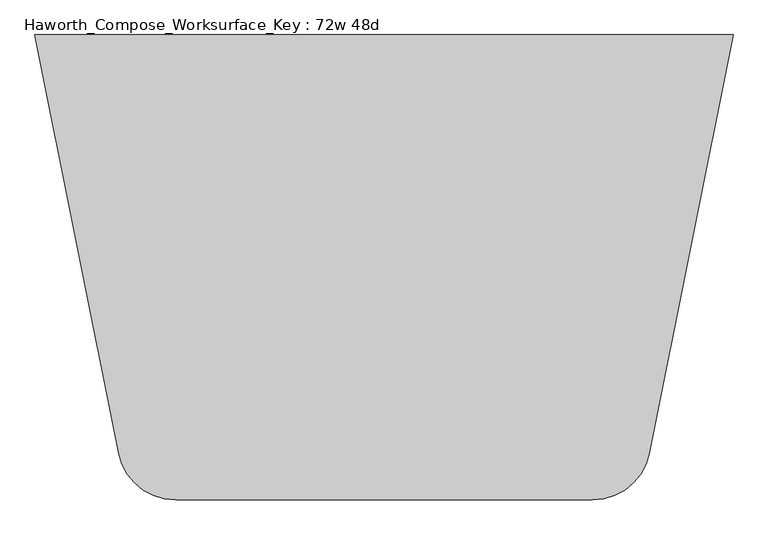
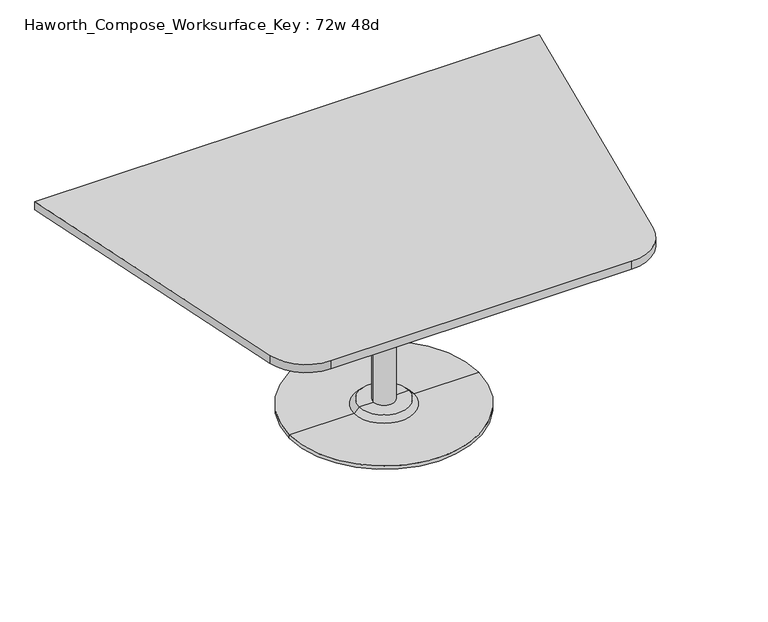
"""IFC4 building model written with IfcOpenShell, lengths in millimetres: furniture geometry, Haworth_Compose_Worksurface_Key : 72w 48d."""

from ifc_helpers import new_model, si_unit, point, frame, frame_2d, origin, place, context, project, spatial, polyline, circle_curve, trimmed, segment, composite_curve, outline, extrude, source, transform, mapped, element, save
from ifc_brep_helpers import plane_surface, cylinder_surface, revolved_surface, advanced_brep


def haworth_compose_worksurface_key_72w_48d_f2156930(model_context):
    return source(origin(), model_context, "Body", "SolidModel", [
        advanced_brep(
        [(38.1, 139.7, 706.4375), (-38.1, 139.7, 706.4375), (0.0, 139.7, 706.4375), (38.1, 139.7, 31.75), (-38.1, 139.7, 31.75), (89.723978, 139.7, 31.75), (-89.723978, 139.7, 31.75), (342.9, 139.7, 0.0), (-342.9, 139.7, 0.0), (-342.9, 139.7, 12.7), (342.9, 139.7, 12.7), (0.0, 139.7, 0.0), (108.773978, 139.7, 12.7), (-108.773978, 139.7, 12.7)],
        [
            (0, 1, circle_curve(frame((0.0, 139.7, 706.4375), z_axis=(0.0, 0.0, 1.0), x_axis=(-1.0, 0.0, 0.0)), 38.1)),
            (1, 2),
            (2, 0),
            (1, 0, circle_curve(frame((0.0, 139.7, 706.4375), z_axis=(0.0, 0.0, 1.0), x_axis=(-1.0, 0.0, 0.0)), 38.1)),
            (3, 4, circle_curve(frame((0.0, 139.7, 31.75), z_axis=(0.0, 0.0, 1.0), x_axis=(-1.0, 0.0, 0.0)), 38.1)),
            (4, 1),
            (0, 3),
            (4, 3, circle_curve(frame((0.0, 139.7, 31.75), z_axis=(0.0, 0.0, 1.0), x_axis=(-1.0, 0.0, 0.0)), 38.1)),
            (5, 6, circle_curve(frame((0.0, 139.7, 31.75), z_axis=(0.0, 0.0, 1.0), x_axis=(-1.0, 0.0, 0.0)), 89.723978)),
            (6, 4),
            (3, 5),
            (6, 5, circle_curve(frame((0.0, 139.7, 31.75), z_axis=(0.0, 0.0, 1.0), x_axis=(-1.0, 0.0, 0.0)), 89.723978)),
            (7, 8, circle_curve(frame((0.0, 139.7, 0.0), z_axis=(0.0, 0.0, 1.0), x_axis=(-1.0, 0.0, 0.0)), 342.9)),
            (8, 9),
            (9, 10, circle_curve(frame((0.0, 139.7, 12.7), z_axis=(0.0, 0.0, -1.0), x_axis=(-1.0, 0.0, 0.0)), 342.9)),
            (10, 7),
            (8, 7, circle_curve(frame((0.0, 139.7, 0.0), z_axis=(0.0, 0.0, 1.0), x_axis=(-1.0, 0.0, 0.0)), 342.9)),
            (10, 9, circle_curve(frame((0.0, 139.7, 12.7), z_axis=(0.0, 0.0, -1.0), x_axis=(-1.0, 0.0, 0.0)), 342.9)),
            (11, 8),
            (7, 11),
            (12, 13, circle_curve(frame((0.0, 139.7, 12.7), z_axis=(0.0, 0.0, 1.0), x_axis=(-1.0, 0.0, 0.0)), 108.773978)),
            (13, 6),
            (5, 12),
            (13, 12, circle_curve(frame((0.0, 139.7, 12.7), z_axis=(0.0, 0.0, 1.0), x_axis=(-1.0, 0.0, 0.0)), 108.773978)),
            (9, 13),
            (12, 10),
        ],
        [
            plane_surface(frame((0.0, 139.7, 706.4375), z_axis=(0.0, 0.0, 1.0), x_axis=(-1.0, 0.0, 0.0))),
            cylinder_surface(frame((0.0, 139.7, 889.623257), z_axis=(0.0, 0.0, -1.0), x_axis=(-1.0, 0.0, 0.0)), 38.1),
            plane_surface(frame((0.0, 139.7, 31.75), z_axis=(0.0, 0.0, 1.0), x_axis=(-1.0, 0.0, 0.0))),
            cylinder_surface(frame((0.0, 139.7, 889.623257), z_axis=(0.0, 0.0, -1.0), x_axis=(-1.0, 0.0, 0.0)), 342.9),
            plane_surface(frame((0.0, 139.7, 0.0), z_axis=(0.0, 0.0, -1.0), x_axis=(-1.0, 0.0, 0.0))),
            revolved_surface(polyline([(-89.723978, 139.7, 31.75), (-108.773978, 139.7, 12.7)]), (0.0, 139.7, 889.623257), (0.0, 0.0, -1.0)),
            plane_surface(frame((0.0, 139.7, 12.7), z_axis=(0.0, 0.0, 1.0), x_axis=(-1.0, 0.0, 0.0))),
        ],
        [
            (0, [[1, 2, 3]]),
            (0, [[4, -3, -2]]),
            (1, [[5, 6, -1, 7]]),
            (1, [[8, -7, -4, -6]]),
            (2, [[9, 10, -5, 11]]),
            (2, [[12, -11, -8, -10]]),
            (3, [[13, 14, 15, 16]]),
            (3, [[17, -16, 18, -14]]),
            (4, [[19, -13, 20]]),
            (4, [[-20, -17, -19]]),
            (5, [[21, 22, -9, 23]]),
            (5, [[24, -23, -12, -22]]),
            (6, [[-15, 25, -21, 26]]),
            (6, [[-18, -26, -24, -25]]),
        ],
    ),
        extrude(outline(composite_curve([segment(polyline([(914.4, 749.3), (695.0623802, -347.388099)]), True, "CONTINUOUS"), segment(trimmed(circle_curve(frame_2d((545.6218852, -317.5)), 152.4), [point((695.0623802, -347.388099))], [point((545.6218852, -469.9))], False, "CARTESIAN"), True, "CONTINUOUS"), segment(polyline([(545.6218852, -469.9), (-545.6218852, -469.9)]), True, "CONTINUOUS"), segment(trimmed(circle_curve(frame_2d((-545.6218852, -317.5)), 152.4), [point((-545.6218852, -469.9))], [point((-695.0623802, -347.388099))], False, "CARTESIAN"), True, "CONTINUOUS"), segment(polyline([(-695.0623802, -347.388099), (-914.4, 749.3), (914.4, 749.3)]), True, "CONTINUOUS")], self_intersect=False)), frame((0.0, 0.0, 706.4375), z_axis=(0.0, 0.0, 1.0), x_axis=(1.0, 0.0, 0.0)), (0.0, 0.0, 1.0), 30.1625),
    ])


if __name__ == "__main__":
    model = new_model("IFC4")
    model_context = context("Model", 3, world=origin())
    ifc_project = project(units=[si_unit("LENGTHUNIT", "METRE", prefix="MILLI")], contexts=[model_context])
    site = spatial("IfcSite", under=ifc_project)
    building = spatial("IfcBuilding", under=site)
    placement = place(None, origin())
    haworth_compose_worksurface_key_72w_48d_shape = haworth_compose_worksurface_key_72w_48d_f2156930(model_context)
    element("IfcFurniture", 1, ObjectType="Haworth_Compose_Worksurface_Key : 72w 48d", at=placement, inside=building, context=model_context, shape_type="MappedRepresentation", body=[
        mapped(haworth_compose_worksurface_key_72w_48d_shape, transform((0.0, 0.0, 0.0), x_axis=(1.0, 0.0, 0.0), y_axis=(0.0, 1.0, 0.0), z_axis=(0.0, 0.0, 1.0))),
    ])
    save(model, "model.ifc")
